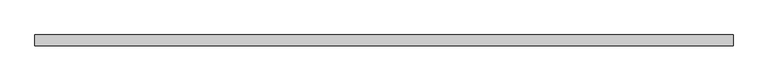
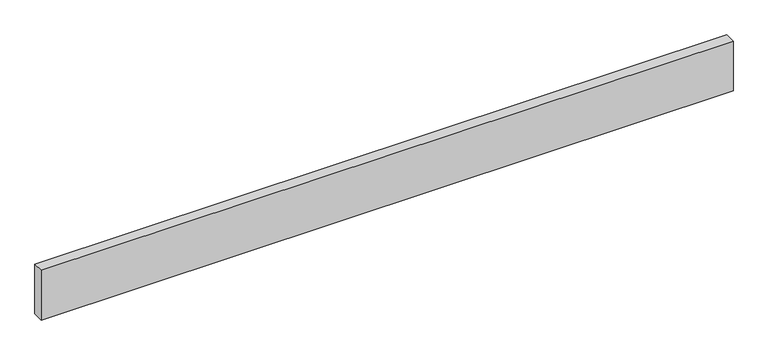
"""IFC4 building model written with IfcOpenShell, lengths in millimetres: beam geometry."""

import ifcopenshell
import ifcopenshell.guid

model = None  # the IFC model being written
_history = None  # IfcOwnerHistory: only IFC2X3 demands one
_inside = {}  # id of a spatial element -> (the spatial element, [elements in it])
_under = {}  # id of a project, library or spatial element -> (it, [spatial elements below it])
_declared = {}  # id of a project -> (the project, [libraries it declares])
_typed = {}  # id of a type object -> (the type object, [elements of that type])
_made_of = {}  # id of a material, layer set ... -> (it, [elements and type objects made of it])


def new_model(schema):
    """Start an empty IFC model of exactly this schema.

    Asked for "IFC4X3", IfcOpenShell would pick the latest addendum, in which some entities
    have other attributes; the version numbers below select the first issue.
    IFC2X3 requires an IfcOwnerHistory on every rooted entity: one is made here for all.
    """
    global model, _history
    if schema == "IFC4X3":
        model = ifcopenshell.file(schema_version=(4, 3, 0, 0))
    else:
        model = ifcopenshell.file(schema=schema)
    _inside.clear()
    _under.clear()
    _declared.clear()
    _typed.clear()
    _made_of.clear()
    _history = None
    if model.schema == "IFC2X3":
        org = make("IfcOrganization", Name="unknown")
        user = make(
            "IfcPersonAndOrganization",
            ThePerson=make("IfcPerson", FamilyName="unknown"),
            TheOrganization=org,
        )
        app = make(
            "IfcApplication",
            ApplicationDeveloper=org,
            Version="unknown",
            ApplicationFullName="unknown",
            ApplicationIdentifier="unknown",
        )
        _history = make(
            "IfcOwnerHistory",
            OwningUser=user,
            OwningApplication=app,
            ChangeAction="ADDED",
            CreationDate=0,
        )
    return model


def make(cls, **values):
    """One entity of the class cls with the attributes given. An attribute that is None is left unset."""
    return model.create_entity(
        cls, **{name: value for name, value in values.items() if value is not None}
    )


def rooted(cls, **values):
    """An entity with a GlobalId (a new one), such as an element, a storey or a relation."""
    return make(cls, GlobalId=ifcopenshell.guid.new(), OwnerHistory=_history, **values)


def si_unit(unit_type, name, prefix=None):
    """IfcSIUnit, for example si_unit("LENGTHUNIT", "METRE", prefix="MILLI")."""
    return make("IfcSIUnit", UnitType=unit_type, Prefix=prefix, Name=name)


def assignment(units):
    """IfcUnitAssignment: the units of a project."""
    return None if units is None else make("IfcUnitAssignment", Units=units)


def point(xyz):
    """IfcCartesianPoint."""
    return None if xyz is None else make("IfcCartesianPoint", Coordinates=xyz)


def direction(xyz):
    """IfcDirection."""
    return None if xyz is None else make("IfcDirection", DirectionRatios=xyz)


def frame(location, z_axis=None, x_axis=None):
    """IfcAxis2Placement3D, a coordinate frame: its origin and axes. An axis left out is left unset."""
    return make(
        "IfcAxis2Placement3D",
        Location=point(location),
        Axis=direction(z_axis),
        RefDirection=direction(x_axis),
    )


def origin():
    """The frame at (0, 0, 0) with its axes left unset."""
    return frame((0.0, 0.0, 0.0))


def place(relative_to, where):
    """IfcLocalPlacement: puts the frame where relative to a parent placement (None: the world)."""
    return make(
        "IfcLocalPlacement", PlacementRelTo=relative_to, RelativePlacement=where
    )


def context(
    kind, dimensions, precision=None, world=None, true_north=None, identifier=None
):
    """IfcGeometricRepresentationContext, for example the 3D "Model" context."""
    return make(
        "IfcGeometricRepresentationContext",
        ContextIdentifier=identifier,
        ContextType=kind,
        CoordinateSpaceDimension=dimensions,
        Precision=precision,
        WorldCoordinateSystem=world,
        TrueNorth=true_north,
    )


def project(units=None, contexts=None):
    """IfcProject with its units and contexts."""
    return rooted(
        "IfcProject",
        Name="project",
        RepresentationContexts=contexts,
        UnitsInContext=assignment(units),
    )


def spatial(cls, under=None, at=None, **own):
    """A site, building, storey or space (cls), placed at a placement, below another one or the project."""
    s = rooted(cls, ObjectPlacement=at, **own)
    if under is not None:
        _under.setdefault(under.id(), (under, []))[1].append(s)
    return s


def polyline(points):
    """IfcPolyline through the points."""
    return make("IfcPolyline", Points=[point(p) for p in points])


def outline(outer, holes=None, kind="AREA"):
    """IfcArbitraryClosedProfileDef: a profile drawn as a closed curve; with holes, ...WithVoids."""
    if holes is None:
        return make("IfcArbitraryClosedProfileDef", ProfileType=kind, OuterCurve=outer)
    return make(
        "IfcArbitraryProfileDefWithVoids",
        ProfileType=kind,
        OuterCurve=outer,
        InnerCurves=holes,
    )


def extrude(swept, where, along, depth):
    """IfcExtrudedAreaSolid: the profile swept, set in the frame where, extruded along a direction by depth."""
    return make(
        "IfcExtrudedAreaSolid",
        SweptArea=swept,
        Position=where,
        ExtrudedDirection=direction(along),
        Depth=depth,
    )


def shape(context_of_items, identifier, shape_type, items):
    """IfcShapeRepresentation: the items that make up one representation, for example the "Body"."""
    return make(
        "IfcShapeRepresentation",
        ContextOfItems=context_of_items,
        RepresentationIdentifier=identifier,
        RepresentationType=shape_type,
        Items=items,
    )


def source(mapping_origin, context_of_items, identifier, shape_type, items):
    """IfcRepresentationMap: a shape defined once, which mapped items show again and again."""
    return make(
        "IfcRepresentationMap",
        MappingOrigin=mapping_origin,
        MappedRepresentation=shape(context_of_items, identifier, shape_type, items),
    )


def transform(
    local_origin,
    x_axis=None,
    y_axis=None,
    z_axis=None,
    scale=None,
    scale2=None,
    scale3=None,
    uniform=True,
):
    """IfcCartesianTransformationOperator3D, or its non-uniform kind. x_axis, y_axis, z_axis: its Axis1, 2, 3."""
    if uniform:
        return make(
            "IfcCartesianTransformationOperator3D",
            Axis1=direction(x_axis),
            Axis2=direction(y_axis),
            LocalOrigin=point(local_origin),
            Scale=scale,
            Axis3=direction(z_axis),
        )
    return make(
        "IfcCartesianTransformationOperator3DnonUniform",
        Axis1=direction(x_axis),
        Axis2=direction(y_axis),
        LocalOrigin=point(local_origin),
        Scale=scale,
        Axis3=direction(z_axis),
        Scale2=scale2,
        Scale3=scale3,
    )


def mapped(mapping_source, mapping_target):
    """IfcMappedItem: shows the shape of a source again, moved by a transform."""
    return make(
        "IfcMappedItem", MappingSource=mapping_source, MappingTarget=mapping_target
    )


def made_of(thing, what):
    """Note that an element or type object is made of a material, layer set ...; save() writes the relation."""
    if what is not None:
        _made_of.setdefault(what.id(), (what, []))[1].append(thing)
    return thing


def element(
    cls,
    number,
    at=None,
    inside=None,
    cuts=None,
    type_object=None,
    material=None,
    context=None,
    identifier="Body",
    shape_type=None,
    held_by="IfcProductDefinitionShape",
    body=None,
    shapes=None,
    **own,
):
    """One element of the class cls, such as IfcWall. Its Tag is "e" and its number.

    at: its placement. inside: the storey or other place that contains it. cuts: it is an
    opening in that element (IfcRelVoidsElement). A single representation is given by context,
    identifier, shape_type and body (its items); several are given by shapes. held_by: the class
    of the entity that holds the representations. save() writes the other relations.
    """
    e = rooted(cls, Tag="e%d" % number, ObjectPlacement=at, **own)
    if body is not None:
        shapes = [shape(context, identifier, shape_type, body)]
    if shapes is not None:
        e.Representation = make(held_by, Representations=shapes)
    if inside is not None:
        _inside.setdefault(inside.id(), (inside, []))[1].append(e)
    if cuts is not None:
        rooted(
            "IfcRelVoidsElement", RelatingBuildingElement=cuts, RelatedOpeningElement=e
        )
    if type_object is not None:
        _typed.setdefault(type_object.id(), (type_object, []))[1].append(e)
    return made_of(e, material)


def aggregate(whole, parts):
    """IfcRelAggregates: a whole, such as a stair, and the parts it consists of."""
    return rooted("IfcRelAggregates", RelatingObject=whole, RelatedObjects=parts)


def save(model, path):
    """Write the relations noted so far, then the file.

    IfcRelAggregates (storeys below a building ...), IfcRelContainedInSpatialStructure (elements
    in a storey), IfcRelDefinesByType, IfcRelAssociatesMaterial and IfcRelDeclares: one each for
    every whole, place, type object, material and project.
    """
    for whole, parts in _under.values():
        aggregate(whole, parts)
    for where, things in _inside.values():
        rooted(
            "IfcRelContainedInSpatialStructure",
            RelatedElements=things,
            RelatingStructure=where,
        )
    for kind, things in _typed.values():
        rooted("IfcRelDefinesByType", RelatedObjects=things, RelatingType=kind)
    for what, things in _made_of.values():
        rooted("IfcRelAssociatesMaterial", RelatedObjects=things, RelatingMaterial=what)
    for by, libraries in _declared.values():
        rooted("IfcRelDeclares", RelatingContext=by, RelatedDefinitions=libraries)
    model.write(path)


def beam_41d4278e(model_context):
    return source(origin(), model_context, "Body", "SweptSolid", [
        extrude(outline(polyline([(-1211.527304, 19.05), (1211.527304, 19.05), (1211.527304, -19.05), (-1211.527304, -19.05), (-1211.527304, 19.05)])), frame((0.0, 0.0, -92.075), z_axis=(0.0, 0.0, 1.0), x_axis=(1.0, 0.0, 0.0)), (0.0, 0.0, 1.0), 184.15),
    ])


if __name__ == "__main__":
    model = new_model("IFC4")
    model_context = context("Model", 3, world=origin())
    ifc_project = project(units=[si_unit("LENGTHUNIT", "METRE", prefix="MILLI")], contexts=[model_context])
    site = spatial("IfcSite", under=ifc_project)
    building = spatial("IfcBuilding", under=site)
    placement = place(None, origin())
    beam_shape = beam_41d4278e(model_context)
    element("IfcBeam", 1, at=placement, inside=building, context=model_context, shape_type="MappedRepresentation", body=[
        mapped(beam_shape, transform((0.0, 0.0, 0.0), x_axis=(1.0, 0.0, 0.0), y_axis=(0.0, 1.0, 0.0), z_axis=(0.0, 0.0, 1.0))),
    ])
    save(model, "model.ifc")
